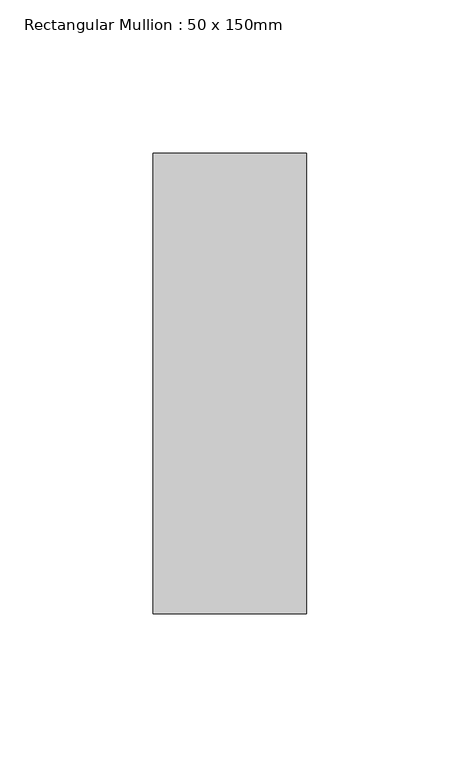
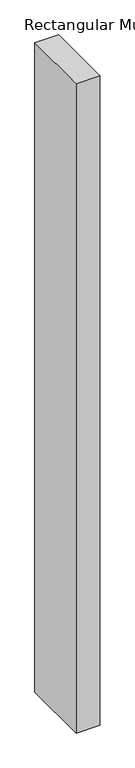
"""IFC4 building model written with IfcOpenShell, lengths in millimetres: member geometry, Rectangular Mullion : 50 x 150mm."""

import ifcopenshell
import ifcopenshell.guid

model = None  # the IFC model being written
_history = None  # IfcOwnerHistory: only IFC2X3 demands one
_inside = {}  # id of a spatial element -> (the spatial element, [elements in it])
_under = {}  # id of a project, library or spatial element -> (it, [spatial elements below it])
_declared = {}  # id of a project -> (the project, [libraries it declares])
_typed = {}  # id of a type object -> (the type object, [elements of that type])
_made_of = {}  # id of a material, layer set ... -> (it, [elements and type objects made of it])


def new_model(schema):
    """Start an empty IFC model of exactly this schema.

    Asked for "IFC4X3", IfcOpenShell would pick the latest addendum, in which some entities
    have other attributes; the version numbers below select the first issue.
    IFC2X3 requires an IfcOwnerHistory on every rooted entity: one is made here for all.
    """
    global model, _history
    if schema == "IFC4X3":
        model = ifcopenshell.file(schema_version=(4, 3, 0, 0))
    else:
        model = ifcopenshell.file(schema=schema)
    _inside.clear()
    _under.clear()
    _declared.clear()
    _typed.clear()
    _made_of.clear()
    _history = None
    if model.schema == "IFC2X3":
        org = make("IfcOrganization", Name="unknown")
        user = make(
            "IfcPersonAndOrganization",
            ThePerson=make("IfcPerson", FamilyName="unknown"),
            TheOrganization=org,
        )
        app = make(
            "IfcApplication",
            ApplicationDeveloper=org,
            Version="unknown",
            ApplicationFullName="unknown",
            ApplicationIdentifier="unknown",
        )
        _history = make(
            "IfcOwnerHistory",
            OwningUser=user,
            OwningApplication=app,
            ChangeAction="ADDED",
            CreationDate=0,
        )
    return model


def make(cls, **values):
    """One entity of the class cls with the attributes given. An attribute that is None is left unset."""
    return model.create_entity(
        cls, **{name: value for name, value in values.items() if value is not None}
    )


def rooted(cls, **values):
    """An entity with a GlobalId (a new one), such as an element, a storey or a relation."""
    return make(cls, GlobalId=ifcopenshell.guid.new(), OwnerHistory=_history, **values)


def si_unit(unit_type, name, prefix=None):
    """IfcSIUnit, for example si_unit("LENGTHUNIT", "METRE", prefix="MILLI")."""
    return make("IfcSIUnit", UnitType=unit_type, Prefix=prefix, Name=name)


def assignment(units):
    """IfcUnitAssignment: the units of a project."""
    return None if units is None else make("IfcUnitAssignment", Units=units)


def point(xyz):
    """IfcCartesianPoint."""
    return None if xyz is None else make("IfcCartesianPoint", Coordinates=xyz)


def direction(xyz):
    """IfcDirection."""
    return None if xyz is None else make("IfcDirection", DirectionRatios=xyz)


def frame(location, z_axis=None, x_axis=None):
    """IfcAxis2Placement3D, a coordinate frame: its origin and axes. An axis left out is left unset."""
    return make(
        "IfcAxis2Placement3D",
        Location=point(location),
        Axis=direction(z_axis),
        RefDirection=direction(x_axis),
    )


def origin():
    """The frame at (0, 0, 0) with its axes left unset."""
    return frame((0.0, 0.0, 0.0))


def place(relative_to, where):
    """IfcLocalPlacement: puts the frame where relative to a parent placement (None: the world)."""
    return make(
        "IfcLocalPlacement", PlacementRelTo=relative_to, RelativePlacement=where
    )


def context(
    kind, dimensions, precision=None, world=None, true_north=None, identifier=None
):
    """IfcGeometricRepresentationContext, for example the 3D "Model" context."""
    return make(
        "IfcGeometricRepresentationContext",
        ContextIdentifier=identifier,
        ContextType=kind,
        CoordinateSpaceDimension=dimensions,
        Precision=precision,
        WorldCoordinateSystem=world,
        TrueNorth=true_north,
    )


def project(units=None, contexts=None):
    """IfcProject with its units and contexts."""
    return rooted(
        "IfcProject",
        Name="project",
        RepresentationContexts=contexts,
        UnitsInContext=assignment(units),
    )


def spatial(cls, under=None, at=None, **own):
    """A site, building, storey or space (cls), placed at a placement, below another one or the project."""
    s = rooted(cls, ObjectPlacement=at, **own)
    if under is not None:
        _under.setdefault(under.id(), (under, []))[1].append(s)
    return s


def polyline(points):
    """IfcPolyline through the points."""
    return make("IfcPolyline", Points=[point(p) for p in points])


def outline(outer, holes=None, kind="AREA"):
    """IfcArbitraryClosedProfileDef: a profile drawn as a closed curve; with holes, ...WithVoids."""
    if holes is None:
        return make("IfcArbitraryClosedProfileDef", ProfileType=kind, OuterCurve=outer)
    return make(
        "IfcArbitraryProfileDefWithVoids",
        ProfileType=kind,
        OuterCurve=outer,
        InnerCurves=holes,
    )


def extrude(swept, where, along, depth):
    """IfcExtrudedAreaSolid: the profile swept, set in the frame where, extruded along a direction by depth."""
    return make(
        "IfcExtrudedAreaSolid",
        SweptArea=swept,
        Position=where,
        ExtrudedDirection=direction(along),
        Depth=depth,
    )


def shape(context_of_items, identifier, shape_type, items):
    """IfcShapeRepresentation: the items that make up one representation, for example the "Body"."""
    return make(
        "IfcShapeRepresentation",
        ContextOfItems=context_of_items,
        RepresentationIdentifier=identifier,
        RepresentationType=shape_type,
        Items=items,
    )


def source(mapping_origin, context_of_items, identifier, shape_type, items):
    """IfcRepresentationMap: a shape defined once, which mapped items show again and again."""
    return make(
        "IfcRepresentationMap",
        MappingOrigin=mapping_origin,
        MappedRepresentation=shape(context_of_items, identifier, shape_type, items),
    )


def transform(
    local_origin,
    x_axis=None,
    y_axis=None,
    z_axis=None,
    scale=None,
    scale2=None,
    scale3=None,
    uniform=True,
):
    """IfcCartesianTransformationOperator3D, or its non-uniform kind. x_axis, y_axis, z_axis: its Axis1, 2, 3."""
    if uniform:
        return make(
            "IfcCartesianTransformationOperator3D",
            Axis1=direction(x_axis),
            Axis2=direction(y_axis),
            LocalOrigin=point(local_origin),
            Scale=scale,
            Axis3=direction(z_axis),
        )
    return make(
        "IfcCartesianTransformationOperator3DnonUniform",
        Axis1=direction(x_axis),
        Axis2=direction(y_axis),
        LocalOrigin=point(local_origin),
        Scale=scale,
        Axis3=direction(z_axis),
        Scale2=scale2,
        Scale3=scale3,
    )


def mapped(mapping_source, mapping_target):
    """IfcMappedItem: shows the shape of a source again, moved by a transform."""
    return make(
        "IfcMappedItem", MappingSource=mapping_source, MappingTarget=mapping_target
    )


def made_of(thing, what):
    """Note that an element or type object is made of a material, layer set ...; save() writes the relation."""
    if what is not None:
        _made_of.setdefault(what.id(), (what, []))[1].append(thing)
    return thing


def element(
    cls,
    number,
    at=None,
    inside=None,
    cuts=None,
    type_object=None,
    material=None,
    context=None,
    identifier="Body",
    shape_type=None,
    held_by="IfcProductDefinitionShape",
    body=None,
    shapes=None,
    **own,
):
    """One element of the class cls, such as IfcWall. Its Tag is "e" and its number.

    at: its placement. inside: the storey or other place that contains it. cuts: it is an
    opening in that element (IfcRelVoidsElement). A single representation is given by context,
    identifier, shape_type and body (its items); several are given by shapes. held_by: the class
    of the entity that holds the representations. save() writes the other relations.
    """
    e = rooted(cls, Tag="e%d" % number, ObjectPlacement=at, **own)
    if body is not None:
        shapes = [shape(context, identifier, shape_type, body)]
    if shapes is not None:
        e.Representation = make(held_by, Representations=shapes)
    if inside is not None:
        _inside.setdefault(inside.id(), (inside, []))[1].append(e)
    if cuts is not None:
        rooted(
            "IfcRelVoidsElement", RelatingBuildingElement=cuts, RelatedOpeningElement=e
        )
    if type_object is not None:
        _typed.setdefault(type_object.id(), (type_object, []))[1].append(e)
    return made_of(e, material)


def aggregate(whole, parts):
    """IfcRelAggregates: a whole, such as a stair, and the parts it consists of."""
    return rooted("IfcRelAggregates", RelatingObject=whole, RelatedObjects=parts)


def save(model, path):
    """Write the relations noted so far, then the file.

    IfcRelAggregates (storeys below a building ...), IfcRelContainedInSpatialStructure (elements
    in a storey), IfcRelDefinesByType, IfcRelAssociatesMaterial and IfcRelDeclares: one each for
    every whole, place, type object, material and project.
    """
    for whole, parts in _under.values():
        aggregate(whole, parts)
    for where, things in _inside.values():
        rooted(
            "IfcRelContainedInSpatialStructure",
            RelatedElements=things,
            RelatingStructure=where,
        )
    for kind, things in _typed.values():
        rooted("IfcRelDefinesByType", RelatedObjects=things, RelatingType=kind)
    for what, things in _made_of.values():
        rooted("IfcRelAssociatesMaterial", RelatedObjects=things, RelatingMaterial=what)
    for by, libraries in _declared.values():
        rooted("IfcRelDeclares", RelatingContext=by, RelatedDefinitions=libraries)
    model.write(path)


def rectangular_mullion_50_x_150mm_8129afcf(model_context):
    return source(origin(), model_context, "Body", "SweptSolid", [
        extrude(outline(polyline([(25.0, 75.0), (25.0, -75.0), (-25.0, -75.0), (-25.0, 75.0), (25.0, 75.0)])), frame((0.0, 0.0, -1444.1489137), z_axis=(0.0, 0.0, 1.0), x_axis=(1.0, 0.0, 0.0)), (0.0, 0.0, 1.0), 1444.1489137),
    ])


if __name__ == "__main__":
    model = new_model("IFC4")
    model_context = context("Model", 3, world=origin())
    ifc_project = project(units=[si_unit("LENGTHUNIT", "METRE", prefix="MILLI")], contexts=[model_context])
    site = spatial("IfcSite", under=ifc_project)
    building = spatial("IfcBuilding", under=site)
    placement = place(None, origin())
    rectangular_mullion_50_x_150mm_shape = rectangular_mullion_50_x_150mm_8129afcf(model_context)
    element("IfcMember", 1, ObjectType="Rectangular Mullion : 50 x 150mm", at=placement, inside=building, context=model_context, shape_type="MappedRepresentation", body=[
        mapped(rectangular_mullion_50_x_150mm_shape, transform((0.0, 0.0, 0.0), x_axis=(1.0, 0.0, 0.0), y_axis=(0.0, 1.0, 0.0), z_axis=(0.0, 0.0, 1.0))),
    ])
    save(model, "model.ifc")
